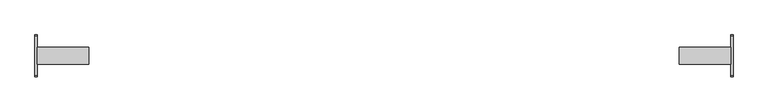
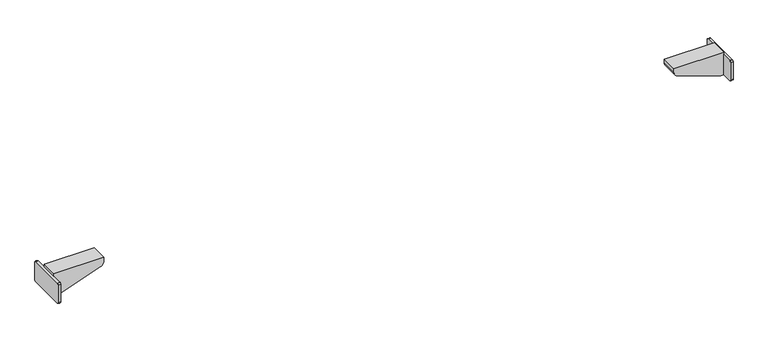
"""IFC4 building model written with IfcOpenShell, lengths in millimetres: furniture geometry."""

from ifc_helpers import new_model, si_unit, point, frame, frame_2d, origin, place, context, project, spatial, polyline, circle_curve, trimmed, segment, composite_curve, outline, extrude, source, transform, mapped, element, save
from ifc_brep_helpers import plane_surface, cylinder_surface, advanced_brep


def furniture_5291cd66(model_context):
    return source(origin(), model_context, "Body", "SolidModel", [
        extrude(outline(composite_curve([segment(polyline([(-39.4809876, 524.76), (39.5, 524.76)]), True, "CONTINUOUS"), segment(trimmed(circle_curve(frame_2d((39.5, 521.76)), 3.0), [point((39.5, 524.76))], [point((42.5, 521.76))], False, "CARTESIAN"), True, "CONTINUOUS"), segment(polyline([(42.5, 521.76), (42.5, 483.0324612)]), True, "CONTINUOUS"), segment(trimmed(circle_curve(frame_2d((39.4675388, 483.0324612)), 3.0324612), [point((42.5, 483.0324612))], [point((39.4675388, 480.0))], False, "CARTESIAN"), True, "CONTINUOUS"), segment(polyline([(39.4675388, 480.0), (-39.5133375, 480.0)]), True, "CONTINUOUS"), segment(trimmed(circle_curve(frame_2d((-39.5133375, 482.9866625)), 2.9866625), [point((-39.5133375, 480.0))], [point((-42.5, 482.9866625))], False, "CARTESIAN"), True, "CONTINUOUS"), segment(polyline([(-42.5, 482.9866625), (-42.5, 521.7409876)]), True, "CONTINUOUS"), segment(trimmed(circle_curve(frame_2d((-39.4809876, 521.7409876)), 3.0190124), [point((-42.5, 521.7409876))], [point((-39.4809876, 524.76))], False, "CARTESIAN"), True, "CONTINUOUS")], self_intersect=False)), frame((704.7599968, 0.0, 0.0), z_axis=(1.0, 0.0, 0.0), x_axis=(0.0, 1.0, 0.0)), (0.0, 0.0, 1.0), 5.24),
        extrude(outline(composite_curve([segment(polyline([(511.6677828, 606.7222698), (480.0, 697.9999968), (480.0, 704.7599968), (530.0, 704.7599968), (530.0, 599.9999968), (521.115349, 599.9999968)]), True, "CONTINUOUS"), segment(trimmed(circle_curve(frame_2d((521.115349, 609.9999968)), 10.0), [point((521.115349, 599.9999968))], [point((511.6677828, 606.7222698))], False, "CARTESIAN"), True, "CONTINUOUS")], self_intersect=False)), frame((0.0, -17.5, 0.0), z_axis=(0.0, 1.0, 0.0), x_axis=(0.0, 0.0, 1.0)), (0.0, 0.0, 1.0), 35.0),
        advanced_brep(
        [(-606.7222698, 17.5, 511.6677828), (-697.9999968, 17.5, 480.0), (-704.7599968, 17.5, 480.0), (-704.7599968, 17.5, 524.76), (-704.7599968, 17.5, 530.0), (-599.9999968, 17.5, 530.0), (-599.9999968, 17.5, 521.115349), (-606.7222698, -17.5, 511.6677828), (-599.9999968, -17.5, 521.115349), (-599.9999968, -17.5, 530.0), (-704.7599968, -17.5, 530.0), (-704.7599968, -17.5, 524.76), (-704.7599968, -17.5, 480.0), (-697.9999968, -17.5, 480.0), (-704.7599968, -39.5133375, 480.0), (-709.9999968, -39.5133375, 480.0), (-709.9999968, 39.4675388, 480.0), (-704.7599968, 39.4675388, 480.0), (-704.7599968, -39.4809876, 524.76), (-704.7599968, -42.5, 521.7409876), (-704.7599968, -42.5, 482.9866625), (-704.7599968, 39.5, 524.76), (-704.7599968, 42.5, 483.0324612), (-704.7599968, 42.5, 521.76), (-709.9999968, -39.4809876, 524.76), (-709.9999968, 39.5, 524.76), (-709.9999968, 42.5, 521.76), (-709.9999968, 42.5, 483.0324612), (-709.9999968, -42.5, 482.9866625), (-709.9999968, -42.5, 521.7409876)],
        [
            (0, 1),
            (1, 2),
            (2, 3),
            (3, 4),
            (4, 5),
            (5, 6),
            (6, 0, circle_curve(frame((-609.9999968, 17.5, 521.115349), z_axis=(0.0, 1.0, 0.0), x_axis=(1.0, 0.0, 0.0)), 10.0)),
            (7, 8, circle_curve(frame((-609.9999968, -17.5, 521.115349), z_axis=(0.0, -1.0, 0.0), x_axis=(1.0, 0.0, 0.0)), 10.0)),
            (8, 9),
            (9, 10),
            (10, 11),
            (11, 12),
            (12, 13),
            (13, 7),
            (6, 8),
            (7, 0),
            (5, 9),
            (4, 10),
            (3, 11),
            (1, 13),
            (12, 14),
            (14, 15),
            (15, 16),
            (16, 17),
            (17, 2),
            (11, 18),
            (18, 19, circle_curve(frame((-704.7599968, -39.4809876, 521.7409876), z_axis=(1.0, 0.0, 0.0), x_axis=(0.0, -1.0, 0.0)), 3.0190124)),
            (19, 20),
            (20, 14, circle_curve(frame((-704.7599968, -39.5133375, 482.9866625), z_axis=(1.0, 0.0, 0.0), x_axis=(0.0, -1.0, 0.0)), 2.9866625)),
            (21, 3),
            (17, 22, circle_curve(frame((-704.7599968, 39.4675388, 483.0324612), z_axis=(1.0, 0.0, 0.0), x_axis=(0.0, -1.0, 0.0)), 3.0324612)),
            (22, 23),
            (23, 21, circle_curve(frame((-704.7599968, 39.5, 521.76), z_axis=(1.0, 0.0, 0.0), x_axis=(0.0, -1.0, 0.0)), 3.0)),
            (24, 25),
            (25, 26, circle_curve(frame((-709.9999968, 39.5, 521.76), z_axis=(-1.0, 0.0, 0.0), x_axis=(0.0, -1.0, 0.0)), 3.0)),
            (26, 27),
            (27, 16, circle_curve(frame((-709.9999968, 39.4675388, 483.0324612), z_axis=(-1.0, 0.0, 0.0), x_axis=(0.0, -1.0, 0.0)), 3.0324612)),
            (15, 28, circle_curve(frame((-709.9999968, -39.5133375, 482.9866625), z_axis=(-1.0, 0.0, 0.0), x_axis=(0.0, -1.0, 0.0)), 2.9866625)),
            (28, 29),
            (29, 24, circle_curve(frame((-709.9999968, -39.4809876, 521.7409876), z_axis=(-1.0, 0.0, 0.0), x_axis=(0.0, -1.0, 0.0)), 3.0190124)),
            (24, 18),
            (21, 25),
            (23, 26),
            (22, 27),
            (20, 28),
            (19, 29),
        ],
        [
            plane_surface(frame((-599.9999968, 17.5, 521.115349), z_axis=(0.0, 1.0, 0.0), x_axis=(0.0, 0.0, 1.0))),
            plane_surface(frame((-599.9999968, -17.5, 521.115349), z_axis=(0.0, -1.0, 0.0), x_axis=(0.0, 0.0, -1.0))),
            cylinder_surface(frame((-609.9999968, -17.5, 521.115349), z_axis=(0.0, 1.0, 0.0), x_axis=(1.0, 0.0, 0.0)), 10.0),
            plane_surface(frame((-599.9999968, 17.5, 521.115349), z_axis=(1.0, 0.0, 0.0), x_axis=(0.0, -1.0, 0.0))),
            plane_surface(frame((-599.9999968, 17.5, 530.0), z_axis=(0.0, 0.0, 1.0), x_axis=(0.0, -1.0, 0.0))),
            plane_surface(frame((-704.7599968, 17.5, 530.0), z_axis=(-1.0, 0.0, 0.0), x_axis=(0.0, -1.0, 0.0))),
            plane_surface(frame((-704.7599968, 17.5, 480.0), z_axis=(0.0, 0.0, -1.0), x_axis=(0.0, -1.0, 0.0))),
            plane_surface(frame((-697.9999968, 17.5, 480.0), z_axis=(0.32777270209389825, 0.0, -0.9447566119176223), x_axis=(0.0, -1.0, 0.0))),
            plane_surface(frame((-704.7599968, 39.5, 524.76), z_axis=(1.0, 0.0, 0.0), x_axis=(0.0, 1.0, 0.0))),
            plane_surface(frame((-709.9999968, 39.5, 524.76), z_axis=(-1.0, 0.0, 0.0), x_axis=(0.0, -1.0, 0.0))),
            plane_surface(frame((-704.7599968, -39.4809876, 524.76), z_axis=(0.0, 0.0, 1.0), x_axis=(-1.0, 0.0, 0.0))),
            cylinder_surface(frame((-709.9999968, 39.5, 521.76), z_axis=(1.0, 0.0, 0.0), x_axis=(0.0, -1.0, 0.0)), 3.0),
            plane_surface(frame((-704.7599968, 42.5, 521.76), z_axis=(0.0, 1.0, 0.0), x_axis=(-1.0, 0.0, 0.0))),
            cylinder_surface(frame((-709.9999968, 39.4675388, 483.0324612), z_axis=(1.0, 0.0, 0.0), x_axis=(0.0, -1.0, 0.0)), 3.0324612),
            cylinder_surface(frame((-709.9999968, -39.5133375, 482.9866625), z_axis=(1.0, 0.0, 0.0), x_axis=(0.0, -1.0, 0.0)), 2.9866625),
            plane_surface(frame((-704.7599968, -42.5, 482.9866625), z_axis=(0.0, -1.0, 0.0), x_axis=(-1.0, 0.0, 0.0))),
            cylinder_surface(frame((-709.9999968, -39.4809876, 521.7409876), z_axis=(1.0, 0.0, 0.0), x_axis=(0.0, -1.0, 0.0)), 3.0190124),
        ],
        [
            (0, [[1, 2, 3, 4, 5, 6, 7]]),
            (1, [[8, 9, 10, 11, 12, 13, 14]]),
            (2, [[15, -8, 16, -7]]),
            (3, [[17, -9, -15, -6]]),
            (4, [[18, -10, -17, -5]]),
            (5, [[-4, 19, -11, -18]]),
            (6, [[20, -13, 21, 22, 23, 24, 25, -2]]),
            (7, [[-16, -14, -20, -1]]),
            (8, [[-21, -12, 26, 27, 28, 29]]),
            (8, [[30, -3, -25, 31, 32, 33]]),
            (9, [[34, 35, 36, 37, -23, 38, 39, 40]]),
            (10, [[41, -26, -19, -30, 42, -34]]),
            (11, [[43, -35, -42, -33]]),
            (12, [[44, -36, -43, -32]]),
            (13, [[-24, -37, -44, -31]]),
            (14, [[45, -38, -22, -29]]),
            (15, [[46, -39, -45, -28]]),
            (16, [[-41, -40, -46, -27]]),
        ],
    ),
    ])


if __name__ == "__main__":
    model = new_model("IFC4")
    model_context = context("Model", 3, world=origin())
    ifc_project = project(units=[si_unit("LENGTHUNIT", "METRE", prefix="MILLI")], contexts=[model_context])
    site = spatial("IfcSite", under=ifc_project)
    building = spatial("IfcBuilding", under=site)
    placement = place(None, origin())
    furniture_shape = furniture_5291cd66(model_context)
    element("IfcFurniture", 1, at=placement, inside=building, context=model_context, shape_type="MappedRepresentation", body=[
        mapped(furniture_shape, transform((0.0, 0.0, 0.0), x_axis=(1.0, 0.0, 0.0), y_axis=(0.0, 1.0, 0.0), z_axis=(0.0, 0.0, 1.0))),
    ])
    save(model, "model.ifc")
